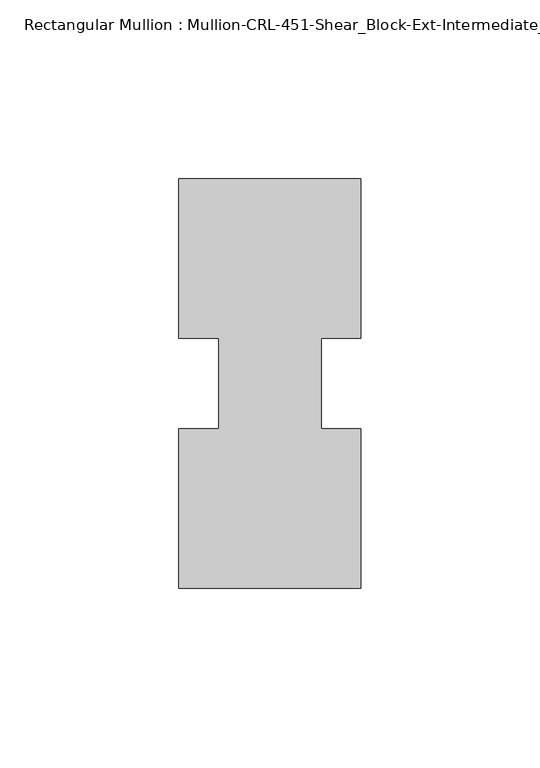
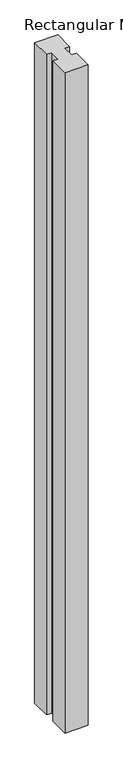
"""IFC4 building model written with IfcOpenShell, lengths in millimetres: member geometry, Rectangular Mullion : Mullion-CRL-451-Shear_Block-Ext-Intermediate_Vertical."""

import ifcopenshell
import ifcopenshell.guid

model = None  # the IFC model being written
_history = None  # IfcOwnerHistory: only IFC2X3 demands one
_inside = {}  # id of a spatial element -> (the spatial element, [elements in it])
_under = {}  # id of a project, library or spatial element -> (it, [spatial elements below it])
_declared = {}  # id of a project -> (the project, [libraries it declares])
_typed = {}  # id of a type object -> (the type object, [elements of that type])
_made_of = {}  # id of a material, layer set ... -> (it, [elements and type objects made of it])


def new_model(schema):
    """Start an empty IFC model of exactly this schema.

    Asked for "IFC4X3", IfcOpenShell would pick the latest addendum, in which some entities
    have other attributes; the version numbers below select the first issue.
    IFC2X3 requires an IfcOwnerHistory on every rooted entity: one is made here for all.
    """
    global model, _history
    if schema == "IFC4X3":
        model = ifcopenshell.file(schema_version=(4, 3, 0, 0))
    else:
        model = ifcopenshell.file(schema=schema)
    _inside.clear()
    _under.clear()
    _declared.clear()
    _typed.clear()
    _made_of.clear()
    _history = None
    if model.schema == "IFC2X3":
        org = make("IfcOrganization", Name="unknown")
        user = make(
            "IfcPersonAndOrganization",
            ThePerson=make("IfcPerson", FamilyName="unknown"),
            TheOrganization=org,
        )
        app = make(
            "IfcApplication",
            ApplicationDeveloper=org,
            Version="unknown",
            ApplicationFullName="unknown",
            ApplicationIdentifier="unknown",
        )
        _history = make(
            "IfcOwnerHistory",
            OwningUser=user,
            OwningApplication=app,
            ChangeAction="ADDED",
            CreationDate=0,
        )
    return model


def make(cls, **values):
    """One entity of the class cls with the attributes given. An attribute that is None is left unset."""
    return model.create_entity(
        cls, **{name: value for name, value in values.items() if value is not None}
    )


def rooted(cls, **values):
    """An entity with a GlobalId (a new one), such as an element, a storey or a relation."""
    return make(cls, GlobalId=ifcopenshell.guid.new(), OwnerHistory=_history, **values)


def si_unit(unit_type, name, prefix=None):
    """IfcSIUnit, for example si_unit("LENGTHUNIT", "METRE", prefix="MILLI")."""
    return make("IfcSIUnit", UnitType=unit_type, Prefix=prefix, Name=name)


def assignment(units):
    """IfcUnitAssignment: the units of a project."""
    return None if units is None else make("IfcUnitAssignment", Units=units)


def point(xyz):
    """IfcCartesianPoint."""
    return None if xyz is None else make("IfcCartesianPoint", Coordinates=xyz)


def direction(xyz):
    """IfcDirection."""
    return None if xyz is None else make("IfcDirection", DirectionRatios=xyz)


def frame(location, z_axis=None, x_axis=None):
    """IfcAxis2Placement3D, a coordinate frame: its origin and axes. An axis left out is left unset."""
    return make(
        "IfcAxis2Placement3D",
        Location=point(location),
        Axis=direction(z_axis),
        RefDirection=direction(x_axis),
    )


def origin():
    """The frame at (0, 0, 0) with its axes left unset."""
    return frame((0.0, 0.0, 0.0))


def place(relative_to, where):
    """IfcLocalPlacement: puts the frame where relative to a parent placement (None: the world)."""
    return make(
        "IfcLocalPlacement", PlacementRelTo=relative_to, RelativePlacement=where
    )


def context(
    kind, dimensions, precision=None, world=None, true_north=None, identifier=None
):
    """IfcGeometricRepresentationContext, for example the 3D "Model" context."""
    return make(
        "IfcGeometricRepresentationContext",
        ContextIdentifier=identifier,
        ContextType=kind,
        CoordinateSpaceDimension=dimensions,
        Precision=precision,
        WorldCoordinateSystem=world,
        TrueNorth=true_north,
    )


def project(units=None, contexts=None):
    """IfcProject with its units and contexts."""
    return rooted(
        "IfcProject",
        Name="project",
        RepresentationContexts=contexts,
        UnitsInContext=assignment(units),
    )


def spatial(cls, under=None, at=None, **own):
    """A site, building, storey or space (cls), placed at a placement, below another one or the project."""
    s = rooted(cls, ObjectPlacement=at, **own)
    if under is not None:
        _under.setdefault(under.id(), (under, []))[1].append(s)
    return s


def polyline(points):
    """IfcPolyline through the points."""
    return make("IfcPolyline", Points=[point(p) for p in points])


def outline(outer, holes=None, kind="AREA"):
    """IfcArbitraryClosedProfileDef: a profile drawn as a closed curve; with holes, ...WithVoids."""
    if holes is None:
        return make("IfcArbitraryClosedProfileDef", ProfileType=kind, OuterCurve=outer)
    return make(
        "IfcArbitraryProfileDefWithVoids",
        ProfileType=kind,
        OuterCurve=outer,
        InnerCurves=holes,
    )


def extrude(swept, where, along, depth):
    """IfcExtrudedAreaSolid: the profile swept, set in the frame where, extruded along a direction by depth."""
    return make(
        "IfcExtrudedAreaSolid",
        SweptArea=swept,
        Position=where,
        ExtrudedDirection=direction(along),
        Depth=depth,
    )


def shape(context_of_items, identifier, shape_type, items):
    """IfcShapeRepresentation: the items that make up one representation, for example the "Body"."""
    return make(
        "IfcShapeRepresentation",
        ContextOfItems=context_of_items,
        RepresentationIdentifier=identifier,
        RepresentationType=shape_type,
        Items=items,
    )


def source(mapping_origin, context_of_items, identifier, shape_type, items):
    """IfcRepresentationMap: a shape defined once, which mapped items show again and again."""
    return make(
        "IfcRepresentationMap",
        MappingOrigin=mapping_origin,
        MappedRepresentation=shape(context_of_items, identifier, shape_type, items),
    )


def transform(
    local_origin,
    x_axis=None,
    y_axis=None,
    z_axis=None,
    scale=None,
    scale2=None,
    scale3=None,
    uniform=True,
):
    """IfcCartesianTransformationOperator3D, or its non-uniform kind. x_axis, y_axis, z_axis: its Axis1, 2, 3."""
    if uniform:
        return make(
            "IfcCartesianTransformationOperator3D",
            Axis1=direction(x_axis),
            Axis2=direction(y_axis),
            LocalOrigin=point(local_origin),
            Scale=scale,
            Axis3=direction(z_axis),
        )
    return make(
        "IfcCartesianTransformationOperator3DnonUniform",
        Axis1=direction(x_axis),
        Axis2=direction(y_axis),
        LocalOrigin=point(local_origin),
        Scale=scale,
        Axis3=direction(z_axis),
        Scale2=scale2,
        Scale3=scale3,
    )


def mapped(mapping_source, mapping_target):
    """IfcMappedItem: shows the shape of a source again, moved by a transform."""
    return make(
        "IfcMappedItem", MappingSource=mapping_source, MappingTarget=mapping_target
    )


def made_of(thing, what):
    """Note that an element or type object is made of a material, layer set ...; save() writes the relation."""
    if what is not None:
        _made_of.setdefault(what.id(), (what, []))[1].append(thing)
    return thing


def element(
    cls,
    number,
    at=None,
    inside=None,
    cuts=None,
    type_object=None,
    material=None,
    context=None,
    identifier="Body",
    shape_type=None,
    held_by="IfcProductDefinitionShape",
    body=None,
    shapes=None,
    **own,
):
    """One element of the class cls, such as IfcWall. Its Tag is "e" and its number.

    at: its placement. inside: the storey or other place that contains it. cuts: it is an
    opening in that element (IfcRelVoidsElement). A single representation is given by context,
    identifier, shape_type and body (its items); several are given by shapes. held_by: the class
    of the entity that holds the representations. save() writes the other relations.
    """
    e = rooted(cls, Tag="e%d" % number, ObjectPlacement=at, **own)
    if body is not None:
        shapes = [shape(context, identifier, shape_type, body)]
    if shapes is not None:
        e.Representation = make(held_by, Representations=shapes)
    if inside is not None:
        _inside.setdefault(inside.id(), (inside, []))[1].append(e)
    if cuts is not None:
        rooted(
            "IfcRelVoidsElement", RelatingBuildingElement=cuts, RelatedOpeningElement=e
        )
    if type_object is not None:
        _typed.setdefault(type_object.id(), (type_object, []))[1].append(e)
    return made_of(e, material)


def aggregate(whole, parts):
    """IfcRelAggregates: a whole, such as a stair, and the parts it consists of."""
    return rooted("IfcRelAggregates", RelatingObject=whole, RelatedObjects=parts)


def save(model, path):
    """Write the relations noted so far, then the file.

    IfcRelAggregates (storeys below a building ...), IfcRelContainedInSpatialStructure (elements
    in a storey), IfcRelDefinesByType, IfcRelAssociatesMaterial and IfcRelDeclares: one each for
    every whole, place, type object, material and project.
    """
    for whole, parts in _under.values():
        aggregate(whole, parts)
    for where, things in _inside.values():
        rooted(
            "IfcRelContainedInSpatialStructure",
            RelatedElements=things,
            RelatingStructure=where,
        )
    for kind, things in _typed.values():
        rooted("IfcRelDefinesByType", RelatedObjects=things, RelatingType=kind)
    for what, things in _made_of.values():
        rooted("IfcRelAssociatesMaterial", RelatedObjects=things, RelatingMaterial=what)
    for by, libraries in _declared.values():
        rooted("IfcRelDeclares", RelatingContext=by, RelatedDefinitions=libraries)
    model.write(path)


def rectangular_mullion_mullion_crl_451_shear_block_ext_93c54ec5(model_context):
    return source(origin(), model_context, "Body", "SweptSolid", [
        extrude(outline(polyline([(25.4, -57.15), (-25.4, -57.15), (-25.4, -12.7), (-14.2875, -12.7), (-14.2875, 12.7), (-25.4, 12.7), (-25.4, 57.15), (25.4, 57.15), (25.4, 12.7), (14.2875, 12.7), (14.2875, -12.7), (25.4, -12.7), (25.4, -57.15)])), frame((0.0, 0.0, -1524.0), z_axis=(0.0, 0.0, 1.0), x_axis=(1.0, 0.0, 0.0)), (0.0, 0.0, 1.0), 1524.0),
    ])


if __name__ == "__main__":
    model = new_model("IFC4")
    model_context = context("Model", 3, world=origin())
    ifc_project = project(units=[si_unit("LENGTHUNIT", "METRE", prefix="MILLI")], contexts=[model_context])
    site = spatial("IfcSite", under=ifc_project)
    building = spatial("IfcBuilding", under=site)
    placement = place(None, origin())
    rectangular_mullion_mullion_crl_451_shear_block_ext_shape = rectangular_mullion_mullion_crl_451_shear_block_ext_93c54ec5(model_context)
    element("IfcMember", 1, ObjectType="Rectangular Mullion : Mullion-CRL-451-Shear_Block-Ext-Intermediate_Vertical", at=placement, inside=building, context=model_context, shape_type="MappedRepresentation", body=[
        mapped(rectangular_mullion_mullion_crl_451_shear_block_ext_shape, transform((0.0, 0.0, 0.0), x_axis=(1.0, 0.0, 0.0), y_axis=(0.0, 1.0, 0.0), z_axis=(0.0, 0.0, 1.0))),
    ])
    save(model, "model.ifc")
